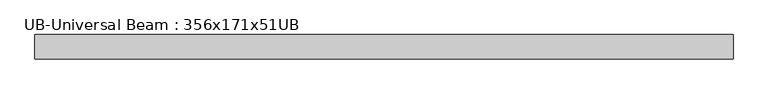
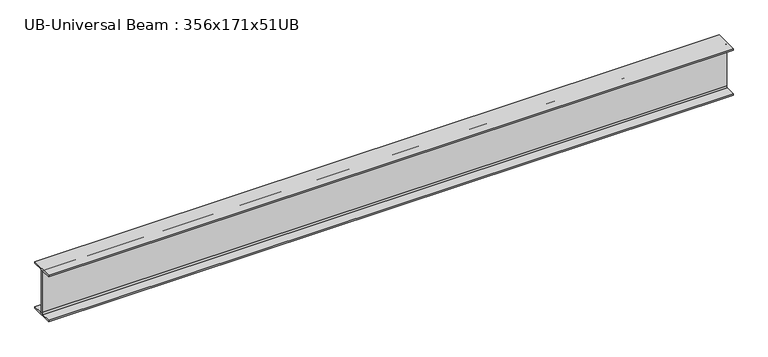
"""IFC4 building model written with IfcOpenShell, lengths in millimetres: beam geometry, UB-Universal Beam : 356x171x51UB."""

from ifc_helpers import new_model, si_unit, point, frame, frame_2d, origin, place, context, project, spatial, polyline, circle_curve, trimmed, segment, composite_curve, outline, extrude, source, transform, mapped, element, save


def ub_universal_beam_356x171x51ub_365edee8(model_context):
    return source(origin(), model_context, "Body", "SweptSolid", [
        extrude(outline(composite_curve([segment(polyline([(85.75, -166.0), (85.75, -177.5), (-85.75, -177.5), (-85.75, -166.0), (-13.9, -166.0)]), True, "CONTINUOUS"), segment(trimmed(circle_curve(frame_2d((-13.9, -155.8)), 10.2), [point((-13.9, -166.0))], [point((-3.7, -155.8))], True, "CARTESIAN"), True, "CONTINUOUS"), segment(polyline([(-3.7, -155.8), (-3.7, 155.8)]), True, "CONTINUOUS"), segment(trimmed(circle_curve(frame_2d((-13.9, 155.8)), 10.2), [point((-3.7, 155.8))], [point((-13.9, 166.0))], True, "CARTESIAN"), True, "CONTINUOUS"), segment(polyline([(-13.9, 166.0), (-85.75, 166.0), (-85.75, 177.5), (85.75, 177.5), (85.75, 166.0), (13.9, 166.0)]), True, "CONTINUOUS"), segment(trimmed(circle_curve(frame_2d((13.9, 155.8)), 10.2), [point((13.9, 166.0))], [point((3.7, 155.8))], True, "CARTESIAN"), True, "CONTINUOUS"), segment(polyline([(3.7, 155.8), (3.7, -155.8)]), True, "CONTINUOUS"), segment(trimmed(circle_curve(frame_2d((13.9, -155.8)), 10.2), [point((3.7, -155.8))], [point((13.9, -166.0))], True, "CARTESIAN"), True, "CONTINUOUS"), segment(polyline([(13.9, -166.0), (85.75, -166.0)]), True, "CONTINUOUS")], self_intersect=False)), frame((-2392.3, 0.0, 0.0), z_axis=(1.0, 0.0, 0.0), x_axis=(0.0, 1.0, 0.0)), (0.0, 0.0, 1.0), 4929.5999994),
    ])


if __name__ == "__main__":
    model = new_model("IFC4")
    model_context = context("Model", 3, world=origin())
    ifc_project = project(units=[si_unit("LENGTHUNIT", "METRE", prefix="MILLI")], contexts=[model_context])
    site = spatial("IfcSite", under=ifc_project)
    building = spatial("IfcBuilding", under=site)
    placement = place(None, origin())
    ub_universal_beam_356x171x51ub_shape = ub_universal_beam_356x171x51ub_365edee8(model_context)
    element("IfcBeam", 1, ObjectType="UB-Universal Beam : 356x171x51UB", at=placement, inside=building, context=model_context, shape_type="MappedRepresentation", body=[
        mapped(ub_universal_beam_356x171x51ub_shape, transform((0.0, 0.0, 0.0), x_axis=(1.0, 0.0, 0.0), y_axis=(0.0, 1.0, 0.0), z_axis=(0.0, 0.0, 1.0))),
    ])
    save(model, "model.ifc")
